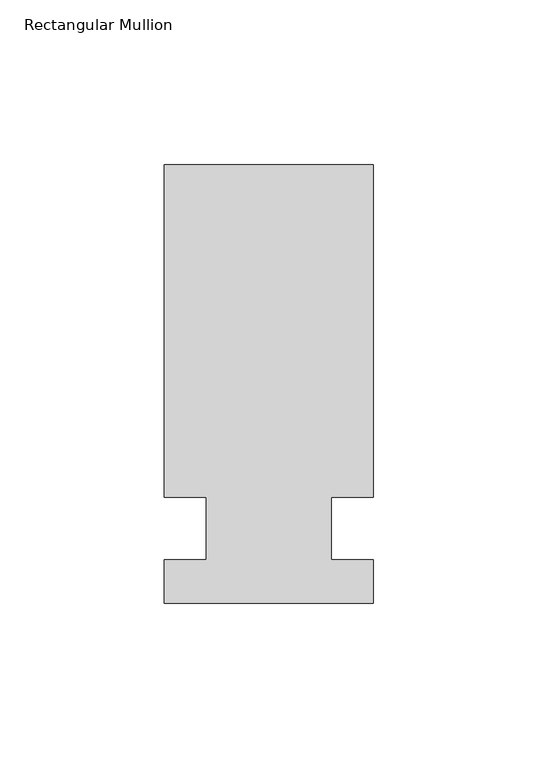
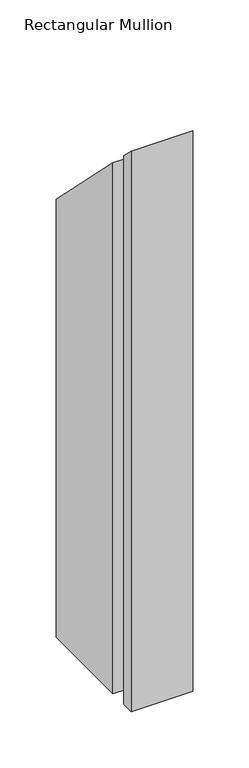
"""IFC4 building model written with IfcOpenShell, lengths in millimetres: member geometry, Rectangular Mullion."""

from ifc_helpers import new_model, si_unit, origin, place, context, project, spatial, faceted_brep, source, transform, mapped, element, save


def rectangular_mullion_747ef2db(model_context):
    return source(origin(), model_context, "Body", "Brep", [
        faceted_brep([(-63.5, 133.4396937, -609.6044979), (0.0, 133.4396937, -609.6044979), (0.0, 32.2460937, -609.6044979), (-12.7, 32.2460937, -609.6044979), (-12.7, 13.1960937, -609.6044979), (0.0, 13.1960937, -609.6044979), (0.0, 0.0134937, -609.6044979), (-63.5, 0.0134937, -609.6044979), (-63.5, 13.1960937, -609.6044979), (-50.8, 13.1960937, -609.6044979), (-50.8, 32.2460937, -609.6044979), (-63.5, 32.2460938, -609.6044979), (-63.5, 32.2460938, -32.2460938), (-63.5, 133.4396937, -133.4396937), (-50.8, 32.2460937, -32.2460938), (-50.8, 13.1960937, -13.1960937), (-63.5, 13.1960937, -13.1960937), (-63.5, 0.0134937, -0.0134937), (0.0, 0.0134937, -0.0134937), (0.0, 13.1960937, -13.1960937), (-12.7, 13.1960937, -13.1960937), (-12.7, 32.2460937, -32.2460938), (0.0, 32.2460937, -32.2460938), (0.0, 133.4396937, -133.4396937)], [[[0, 1, 2, 3, 4, 5, 6, 7, 8, 9, 10, 11]], [[12, 13, 0, 11]], [[14, 12, 11, 10]], [[15, 14, 10, 9]], [[16, 15, 9, 8]], [[17, 16, 8, 7]], [[18, 17, 7, 6]], [[19, 18, 6, 5]], [[20, 19, 5, 4]], [[21, 20, 4, 3]], [[22, 21, 3, 2]], [[23, 22, 2, 1]], [[13, 23, 1, 0]], [[13, 12, 14, 15, 16, 17, 18, 19, 20, 21, 22, 23]]]),
    ])


if __name__ == "__main__":
    model = new_model("IFC4")
    model_context = context("Model", 3, world=origin())
    ifc_project = project(units=[si_unit("LENGTHUNIT", "METRE", prefix="MILLI")], contexts=[model_context])
    site = spatial("IfcSite", under=ifc_project)
    building = spatial("IfcBuilding", under=site)
    placement = place(None, origin())
    rectangular_mullion_shape = rectangular_mullion_747ef2db(model_context)
    element("IfcMember", 1, ObjectType="Rectangular Mullion", at=placement, inside=building, context=model_context, shape_type="MappedRepresentation", body=[
        mapped(rectangular_mullion_shape, transform((0.0, 0.0, 0.0), x_axis=(1.0, 0.0, 0.0), y_axis=(0.0, 1.0, 0.0), z_axis=(0.0, 0.0, 1.0))),
    ])
    save(model, "model.ifc")
